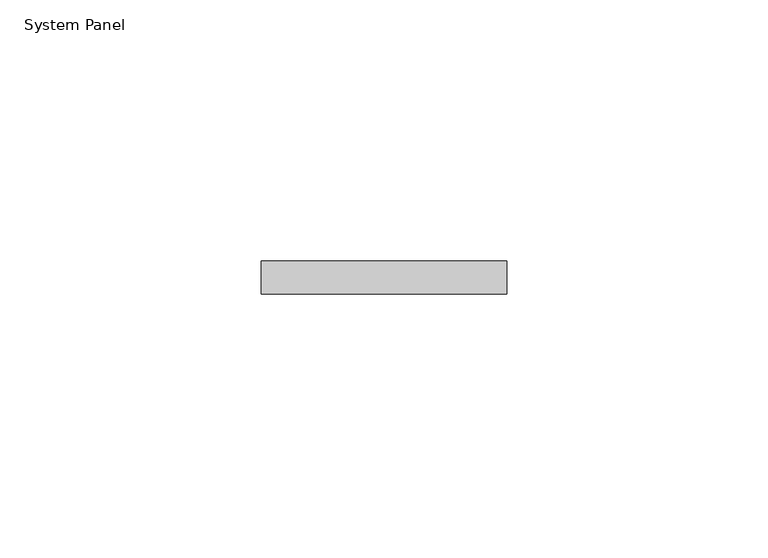
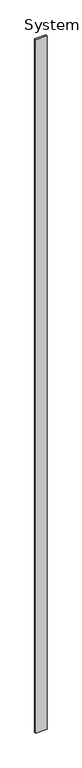
"""IFC4 building model written with IfcOpenShell, lengths in millimetres: plate geometry, System Panel."""

from ifc_helpers import new_model, si_unit, origin, origin_with_axes, place, context, project, spatial, polyline, outline, extrude, source, transform, mapped, element, save


def system_panel_6ede628b(model_context):
    return source(origin(), model_context, "Body", "SweptSolid", [
        extrude(outline(polyline([(23.5378266, 0.0), (-23.5378266, 0.0), (-23.5378266, 6.35), (23.5378266, 6.35), (23.5378266, 0.0)])), origin_with_axes(), (0.0, 0.0, 1.0), 3048.0),
    ])


if __name__ == "__main__":
    model = new_model("IFC4")
    model_context = context("Model", 3, world=origin())
    ifc_project = project(units=[si_unit("LENGTHUNIT", "METRE", prefix="MILLI")], contexts=[model_context])
    site = spatial("IfcSite", under=ifc_project)
    building = spatial("IfcBuilding", under=site)
    placement = place(None, origin())
    system_panel_shape = system_panel_6ede628b(model_context)
    element("IfcPlate", 1, ObjectType="System Panel", at=placement, inside=building, context=model_context, shape_type="MappedRepresentation", body=[
        mapped(system_panel_shape, transform((0.0, 0.0, 0.0), x_axis=(1.0, 0.0, 0.0), y_axis=(0.0, 1.0, 0.0), z_axis=(0.0, 0.0, 1.0))),
    ])
    save(model, "model.ifc")
